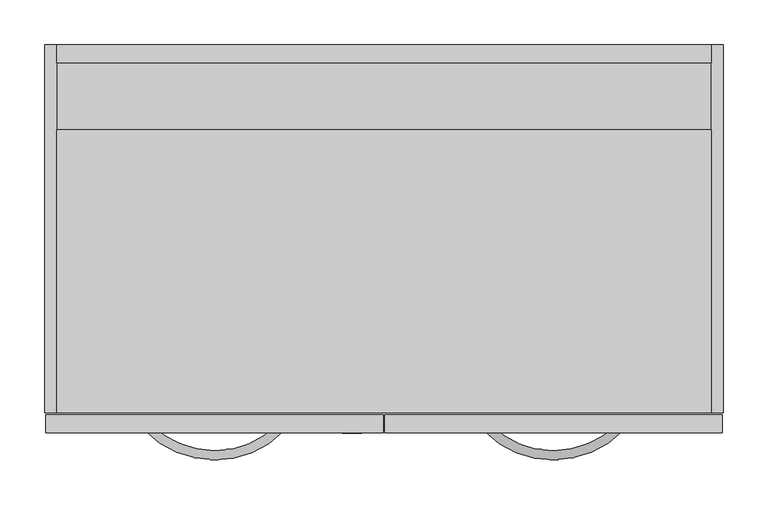
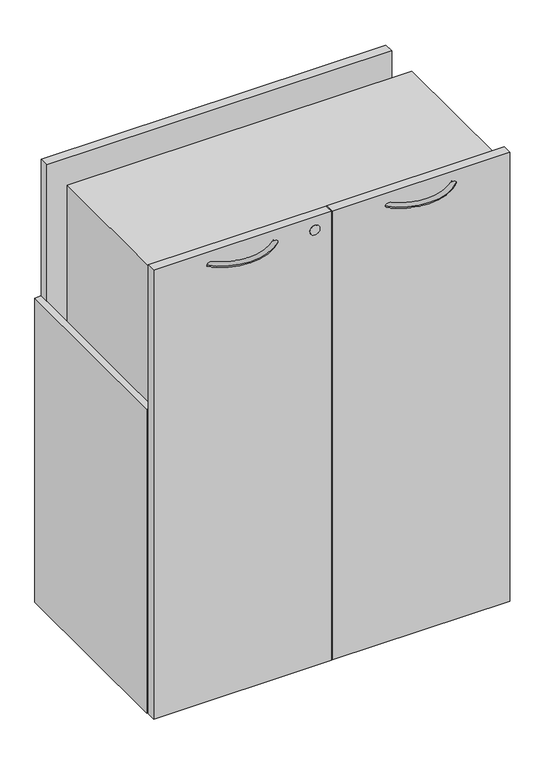
"""IFC4 building model written with IfcOpenShell, lengths in millimetres: furniture geometry."""

from ifc_helpers import new_model, si_unit, point, frame, frame_2d, origin, origin_with_axes, place, context, project, spatial, polyline, circle_curve, ellipse_curve, trimmed, segment, composite_curve, outline, extrude, source, transform, mapped, element, save
from ifc_brep_helpers import plane_surface, revolved_surface, advanced_brep


def furniture_8d7eda84(model_context):
    return source(origin(), model_context, "Body", "SolidModel", [
        advanced_brep(
        [(244.5264749, 8.5864322, 995.5994527), (251.6823469, 1.3740057, 995.5994527), (103.6636534, 9.140876, 995.5994527), (96.451227, 1.985004, 995.5994527)],
        [
            (0, 1, circle_curve(frame((248.1044109, 4.9802189, 995.5994527), z_axis=(0.7098844935595594, 0.7043181140675624, 0.0), x_axis=(0.7043181140675624, -0.7098844935595594, 0.0)), 5.08)),
            (1, 0, circle_curve(frame((248.1044109, 4.9802189, 995.5994527), z_axis=(0.7098844935595594, 0.7043181140675624, 0.0), x_axis=(0.7043181140675624, -0.7098844935595594, 0.0)), 5.08)),
            (2, 3, circle_curve(frame((100.0574402, 5.56294, 995.5994527), z_axis=(-0.7043181140675634, 0.7098844935595584, 0.0), x_axis=(-0.7098844935595584, -0.7043181140675634, 0.0)), 5.08)),
            (3, 2, circle_curve(frame((100.0574402, 5.56294, 995.5994527), z_axis=(-0.7043181140675634, 0.7098844935595584, 0.0), x_axis=(-0.7098844935595584, -0.7043181140675634, 0.0)), 5.08)),
            (3, 1, circle_curve(frame((174.3722861, 79.2950648, 995.5994527), z_axis=(0.0, 0.0, 1.0), x_axis=(0.7043181140675624, -0.7098844935595594, 0.0)), 109.7658278)),
            (0, 2, circle_curve(frame((174.3722861, 79.2950648, 995.5994527), z_axis=(0.0, 0.0, -1.0), x_axis=(0.7043181140675624, -0.7098844935595594, 0.0)), 99.6058278)),
        ],
        [
            plane_surface(frame((248.1593315, 4.9248642, 995.5484451), z_axis=(0.7098844935595594, 0.7043181140675624, 0.0), x_axis=(0.0, 0.0, 1.0))),
            plane_surface(frame((100.0020855, 5.5080193, 995.5484451), z_axis=(-0.7043181140675634, 0.7098844935595585, 0.0), x_axis=(0.0, 0.0, 1.0))),
            revolved_surface(trimmed(ellipse_curve(frame((248.1044109, 4.9802189, 995.5994527), z_axis=(0.7098844935595594, 0.7043181140675624, 0.0), x_axis=(0.7043181140675624, -0.7098844935595594, 0.0)), 5.08, 5.08), [point((244.5264749, 8.5864322, 995.5994527))], [point((251.6823469, 1.3740057, 995.5994527))], True, "CARTESIAN"), (174.3722861, 79.2950648, 995.5484451), (0.0, 0.0, -1.0)),
            revolved_surface(trimmed(ellipse_curve(frame((248.1044109, 4.9802189, 995.5994527), z_axis=(0.7098844935595594, 0.7043181140675624, 0.0), x_axis=(0.7043181140675624, -0.7098844935595594, 0.0)), 5.08, 5.08), [point((251.6823469, 1.3740057, 995.5994527))], [point((244.5264749, 8.5864322, 995.5994527))], True, "CARTESIAN"), (174.3722861, 79.2950648, 995.5484451), (0.0, 0.0, -1.0)),
        ],
        [
            (0, [[1, 2]]),
            (1, [[3, 4]]),
            (2, [[5, -1, 6, -4]]),
            (3, [[-6, -2, -5, -3]]),
        ],
    ),
        advanced_brep(
        [(477.4256514, 1.374494, 995.5994527), (484.582523, 8.5859286, 995.5994527), (632.65759, 1.9854962, 995.5994527), (625.4441718, 9.1403684, 995.5994527)],
        [
            (0, 1, circle_curve(frame((481.0040872, 4.9802113, 995.5994527), z_axis=(-0.7097868691191445, 0.704416496418165, 0.0), x_axis=(0.704416496418165, 0.7097868691191445, 0.0)), 5.08)),
            (1, 0, circle_curve(frame((481.0040872, 4.9802113, 995.5994527), z_axis=(-0.7097868691191445, 0.704416496418165, 0.0), x_axis=(0.704416496418165, 0.7097868691191445, 0.0)), 5.08)),
            (2, 3, circle_curve(frame((629.0508809, 5.5629323, 995.5994527), z_axis=(0.7042197120899959, 0.7099821104111591, 0.0), x_axis=(-0.7099821104111591, 0.7042197120899959, 0.0)), 5.08)),
            (3, 2, circle_curve(frame((629.0508809, 5.5629323, 995.5994527), z_axis=(0.7042197120899959, 0.7099821104111591, 0.0), x_axis=(-0.7099821104111591, 0.7042197120899959, 0.0)), 5.08)),
            (3, 1, circle_curve(frame((554.7362043, 79.2744518, 995.5994527), z_axis=(0.0, 0.0, -1.0), x_axis=(-0.704416496418165, -0.7097868691191445, 0.0)), 99.591196)),
            (0, 2, circle_curve(frame((554.7362043, 79.2744518, 995.5994527), z_axis=(0.0, 0.0, 1.0), x_axis=(-0.704416496418165, -0.7097868691191445, 0.0)), 109.751196)),
        ],
        [
            plane_surface(frame((480.9491588, 4.9248642, 995.5484451), z_axis=(-0.7097868691191445, 0.704416496418165, 0.0), x_axis=(0.0, 0.0, 1.0))),
            plane_surface(frame((629.1062432, 5.5080193, 995.5484451), z_axis=(0.704219712089996, 0.7099821104111591, 0.0), x_axis=(0.0, 0.0, 1.0))),
            revolved_surface(trimmed(ellipse_curve(frame((481.0040872, 4.9802113, 995.5994527), z_axis=(-0.7097868691191445, 0.704416496418165, 0.0), x_axis=(0.704416496418165, 0.7097868691191445, 0.0)), 5.08, 5.08), [point((477.4256514, 1.374494, 995.5994527))], [point((484.582523, 8.5859286, 995.5994527))], True, "CARTESIAN"), (554.7362043, 79.2744518, 995.5484451), (0.0, 0.0, 1.0)),
            revolved_surface(trimmed(ellipse_curve(frame((481.0040872, 4.9802113, 995.5994527), z_axis=(-0.7097868691191445, 0.704416496418165, 0.0), x_axis=(0.704416496418165, 0.7097868691191445, 0.0)), 5.08, 5.08), [point((484.582523, 8.5859286, 995.5994527))], [point((477.4256514, 1.374494, 995.5994527))], True, "CARTESIAN"), (554.7362043, 79.2744518, 995.5484451), (0.0, 0.0, 1.0)),
        ],
        [
            (0, [[1, 2]]),
            (1, [[3, 4]]),
            (2, [[5, -1, 6, -4]]),
            (3, [[-6, -2, -5, -3]]),
        ],
    ),
        extrude(outline(composite_curve([segment(trimmed(circle_curve(frame_2d((994.4231109, 328.6376746)), 10.668), [point((994.4231109, 317.9696746))], [point((994.4231109, 339.3056746))], False, "CARTESIAN"), True, "CONTINUOUS"), segment(trimmed(circle_curve(frame_2d((994.4231109, 328.6376746)), 10.668), [point((994.4231109, 339.3056746))], [point((994.4231109, 317.9696746))], False, "CARTESIAN"), True, "CONTINUOUS")], self_intersect=False)), frame((0.0, -0.5079459, 0.0), z_axis=(0.0, 1.0, 0.0), x_axis=(0.0, 0.0, 1.0)), (0.0, 0.0, 1.0), 0.5079459),
        extrude(outline(composite_curve([segment(trimmed(circle_curve(frame_2d((19.0968082, 400.2663789)), 14.478), [point((4.6188082, 400.2663789))], [point((33.5748082, 400.2663789))], False, "CARTESIAN"), True, "CONTINUOUS"), segment(trimmed(circle_curve(frame_2d((19.0968082, 400.2663789)), 14.478), [point((33.5748082, 400.2663789))], [point((4.6188082, 400.2663789))], False, "CARTESIAN"), True, "CONTINUOUS")], self_intersect=False)), origin_with_axes(), (0.0, 0.0, 1.0), 12.7),
        extrude(outline(composite_curve([segment(trimmed(circle_curve(frame_2d((19.0968082, 55.3254588)), 14.478), [point((4.6188082, 55.3254588))], [point((33.5748082, 55.3254588))], False, "CARTESIAN"), True, "CONTINUOUS"), segment(trimmed(circle_curve(frame_2d((19.0968082, 55.3254588)), 14.478), [point((33.5748082, 55.3254588))], [point((4.6188082, 55.3254588))], False, "CARTESIAN"), True, "CONTINUOUS")], self_intersect=False)), origin_with_axes(), (0.0, 0.0, 1.0), 12.7),
        extrude(outline(composite_curve([segment(trimmed(circle_curve(frame_2d((709.4419262, 400.2663789)), 14.478), [point((694.9639262, 400.2663789))], [point((723.9199262, 400.2663789))], False, "CARTESIAN"), True, "CONTINUOUS"), segment(trimmed(circle_curve(frame_2d((709.4419262, 400.2663789)), 14.478), [point((723.9199262, 400.2663789))], [point((694.9639262, 400.2663789))], False, "CARTESIAN"), True, "CONTINUOUS")], self_intersect=False)), origin_with_axes(), (0.0, 0.0, 1.0), 12.7),
        extrude(outline(composite_curve([segment(trimmed(circle_curve(frame_2d((709.4419262, 55.3254588)), 14.478), [point((694.9639262, 55.3254588))], [point((723.9199262, 55.3254588))], False, "CARTESIAN"), True, "CONTINUOUS"), segment(trimmed(circle_curve(frame_2d((709.4419262, 55.3254588)), 14.478), [point((723.9199262, 55.3254588))], [point((694.9639262, 55.3254588))], False, "CARTESIAN"), True, "CONTINUOUS")], self_intersect=False)), origin_with_axes(), (0.0, 0.0, 1.0), 12.7),
        extrude(outline(polyline([(363.6923719, 0.0), (-14.9477997, 0.0), (-14.9477997, 20.1673196), (363.6923719, 20.1673196), (363.6923719, 0.0)])), frame((0.0, 0.0, 12.7), z_axis=(0.0, 0.0, 1.0), x_axis=(1.0, 0.0, 0.0)), (0.0, 0.0, 1.0), 1011.174),
        extrude(outline(polyline([(744.0562901, 0.0), (365.4161185, 0.0), (365.4161185, 20.1673196), (744.0562901, 20.1673196), (744.0562901, 0.0)])), frame((0.0, 0.0, 12.7), z_axis=(0.0, 0.0, 1.0), x_axis=(1.0, 0.0, 0.0)), (0.0, 0.0, 1.0), 1011.174),
        extrude(outline(polyline([(414.9075505, 1005.3066014), (435.61, 1005.3066014), (435.61, 12.7), (22.5805444, 12.7), (22.5805444, 48.5394019), (414.9075505, 48.5394019), (414.9075505, 390.8454182), (22.5805444, 390.8454182), (22.5805444, 409.8954182), (414.9075505, 409.8954182), (414.9075505, 1005.3066014)])), frame((-2.6276215, 0.0, 0.0), z_axis=(1.0, 0.0, 0.0), x_axis=(0.0, 1.0, 0.0)), (0.0, 0.0, 1.0), 734.3639434),
        extrude(outline(polyline([(731.7363219, 339.7019967), (731.7363219, 22.5805444), (-2.6276215, 22.5805444), (-2.6276215, 339.7019967), (731.7363219, 339.7019967)])), frame((0.0, 0.0, 697.6999), z_axis=(0.0, 0.0, 1.0), x_axis=(1.0, 0.0, 0.0)), (0.0, 0.0, 1.0), 307.6067014),
        extrude(outline(polyline([(-2.6276215, 435.61), (-2.6276215, 22.5805444), (-16.4460781, 22.5805444), (-16.4460781, 435.61), (-2.6276215, 435.61)])), frame((0.0, 0.0, 12.7), z_axis=(0.0, 0.0, 1.0), x_axis=(1.0, 0.0, 0.0)), (0.0, 0.0, 1.0), 684.9999),
        extrude(outline(polyline([(745.5539219, 435.61), (745.5539219, 22.5805444), (731.7363219, 22.5805444), (731.7363219, 435.61), (745.5539219, 435.61)])), frame((0.0, 0.0, 12.7), z_axis=(0.0, 0.0, 1.0), x_axis=(1.0, 0.0, 0.0)), (0.0, 0.0, 1.0), 684.9999),
    ])


if __name__ == "__main__":
    model = new_model("IFC4")
    model_context = context("Model", 3, world=origin())
    ifc_project = project(units=[si_unit("LENGTHUNIT", "METRE", prefix="MILLI")], contexts=[model_context])
    site = spatial("IfcSite", under=ifc_project)
    building = spatial("IfcBuilding", under=site)
    placement = place(None, origin())
    furniture_shape = furniture_8d7eda84(model_context)
    element("IfcFurniture", 1, at=placement, inside=building, context=model_context, shape_type="MappedRepresentation", body=[
        mapped(furniture_shape, transform((0.0, 0.0, 0.0), x_axis=(1.0, 0.0, 0.0), y_axis=(0.0, 1.0, 0.0), z_axis=(0.0, 0.0, 1.0))),
    ])
    save(model, "model.ifc")
